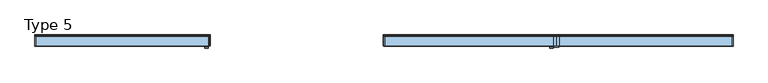
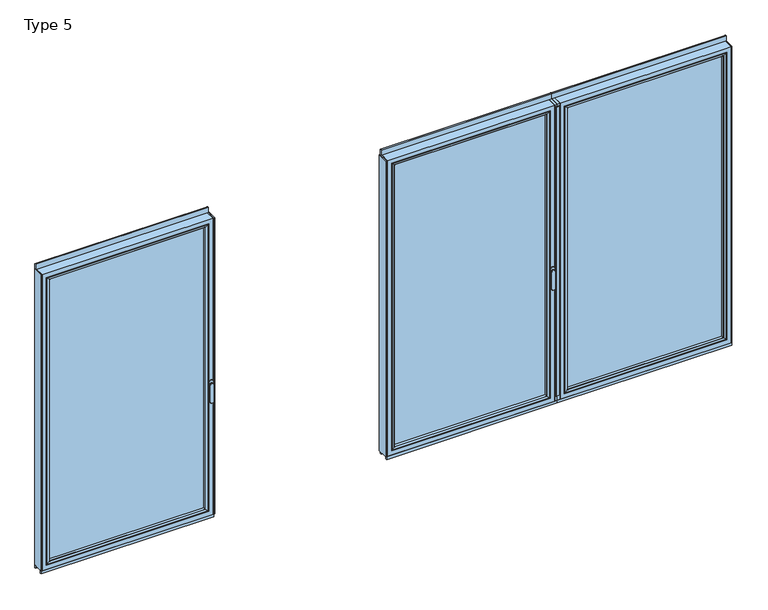
"""IFC4 building model written with IfcOpenShell, lengths in millimetres: window geometry, Type 5."""

from ifc_helpers import new_model, si_unit, point, frame, frame_2d, origin, place, context, project, spatial, polyline, circle_curve, ellipse_curve, trimmed, segment, composite_curve, outline, extrude, source, transform, mapped, element, save
from ifc_brep_helpers import plane_surface, cylinder_surface, extruded_surface, advanced_brep


def type_5_257a0d57(model_context):
    return source(origin(), model_context, "Body", "SolidModel", [
        extrude(outline(composite_curve([segment(polyline([(632.7000099, -60.0), (632.7000099, -67.5)]), True, "CONTINUOUS"), segment(trimmed(circle_curve(frame_2d((630.2000099, -67.5)), 2.5), [point((632.7000099, -67.5))], [point((630.2000099, -70.0))], False, "CARTESIAN"), True, "CONTINUOUS"), segment(polyline([(630.2000099, -70.0), (604.2000099, -70.0)]), True, "CONTINUOUS"), segment(trimmed(circle_curve(frame_2d((604.2000099, -67.5)), 2.5), [point((604.2000099, -70.0))], [point((601.7000099, -67.5))], False, "CARTESIAN"), True, "CONTINUOUS"), segment(polyline([(601.7000099, -67.5), (601.7000099, -60.0), (632.7000099, -60.0)]), True, "CONTINUOUS")], self_intersect=False)), frame((0.0, 0.0, 80.0), z_axis=(0.0, 0.0, 1.0), x_axis=(1.0, 0.0, 0.0)), (0.0, 0.0, 1.0), 2230.0),
        extrude(outline(polyline([(1893.6000099, 20.0), (1893.6000099, -60.0), (1887.6000099, -60.0), (1887.6000099, 20.0), (1893.6000099, 20.0)])), frame((0.0, 0.0, 37.5), z_axis=(0.0, 0.0, 1.0), x_axis=(1.0, 0.0, 0.0)), (0.0, 0.0, 1.0), 2286.5),
        extrude(outline(polyline([(617.2000099, 20.0), (637.2000099, 20.0), (637.2000099, -60.0), (617.2000099, -60.0), (617.2000099, 20.0)])), frame((0.0, 0.0, 37.5), z_axis=(0.0, 0.0, 1.0), x_axis=(1.0, 0.0, 0.0)), (0.0, 0.0, 1.0), 2286.5),
        advanced_brep(
        [(1887.6000099, -60.0, 2324.0), (1887.6000099, -60.0, 37.5), (1887.6000099, 20.0, 37.5), (1887.6000099, 20.0, 2324.0), (637.2000099, -60.0, 37.5), (637.2000099, 20.0, 37.5), (637.2000099, 20.0, 2324.0), (682.6996392, 20.0, 82.9996293), (1842.1003806, 20.0, 82.9996293), (1842.1003806, 20.0, 2278.5003707), (682.6996392, 20.0, 2278.5003707), (637.2000099, -60.0, 2324.0), (1855.6000099, -60.0, 69.5), (669.2000099, -60.0, 69.5), (669.2000099, -60.0, 2292.0), (1855.6000099, -60.0, 2292.0), (1855.6000099, 3.9999997, 2292.0), (1855.6000099, 3.9999997, 69.5), (669.2000099, 3.9999997, 69.5), (669.2000099, 3.9999997, 2292.0), (1837.5999979, 3.9999997, 87.500012), (687.2000219, 3.9999997, 87.500012), (687.2000219, 3.9999997, 2273.999988), (1837.5999979, 3.9999997, 2273.999988), (1837.5999979, 15.4995565, 2273.999988), (1837.5999979, 15.4995565, 87.500012), (687.2000219, 15.4995565, 87.500012), (687.2000219, 15.4995565, 2273.999988)],
        [
            (0, 1),
            (1, 2),
            (2, 3),
            (3, 0),
            (1, 4),
            (4, 5),
            (5, 2),
            (5, 6),
            (6, 3),
            (7, 8),
            (8, 9),
            (9, 10),
            (10, 7),
            (4, 11),
            (11, 6),
            (0, 11),
            (12, 13),
            (13, 14),
            (14, 15),
            (15, 12),
            (16, 17),
            (17, 12),
            (15, 16),
            (17, 18),
            (18, 13),
            (18, 19),
            (19, 14),
            (16, 19),
            (20, 21),
            (21, 22),
            (22, 23),
            (23, 20),
            (24, 25),
            (25, 20),
            (23, 24),
            (25, 26),
            (26, 21),
            (26, 27),
            (27, 22),
            (7, 26, ellipse_curve(frame((682.6996392, 15.4995565, 82.9996293), z_axis=(0.7071067811865475, 0.0, -0.7071067811865475), x_axis=(0.7071067811865476, 0.0, 0.7071067811865474)), 6.3645023, 4.5003827)),
            (25, 8, ellipse_curve(frame((1842.1003806, 15.4995565, 82.9996293), z_axis=(-0.7071067811865475, 0.0, -0.7071067811865475), x_axis=(0.7071067811865476, 0.0, -0.7071067811865474)), 6.3645023, 4.5003827)),
            (24, 9, ellipse_curve(frame((1842.1003806, 15.4995565, 2278.5003707), z_axis=(0.7071067811865475, 0.0, -0.7071067811865475), x_axis=(0.7071067811865474, 0.0, 0.7071067811865476)), 6.3645023, 4.5003827)),
            (10, 27, ellipse_curve(frame((682.6996392, 15.4995565, 2278.5003707), z_axis=(-0.7071067811865475, 0.0, -0.7071067811865475), x_axis=(0.7071067811865474, 0.0, -0.7071067811865476)), 6.3645023, 4.5003827)),
            (27, 24),
        ],
        [
            plane_surface(frame((1887.6000099, 20.0, 2324.0), z_axis=(1.0, 0.0, 0.0), x_axis=(0.0, 0.0, -1.0))),
            plane_surface(frame((1887.6000099, 20.0, 37.5), z_axis=(0.0, 0.0, -1.0), x_axis=(-1.0, 0.0, 0.0))),
            plane_surface(frame((1842.1003806, 20.0, 2278.5003707), z_axis=(0.0, 1.0, 0.0), x_axis=(0.0, 0.0, -1.0))),
            plane_surface(frame((637.2000099, 20.0, 37.5), z_axis=(-1.0, 0.0, 0.0), x_axis=(0.0, 0.0, 1.0))),
            plane_surface(frame((1887.6000099, -60.0, 2324.0), z_axis=(0.0, -1.0, 0.0), x_axis=(0.0, 0.0, -1.0))),
            plane_surface(frame((1855.6000099, -60.0, 2292.0), z_axis=(-1.0, 0.0, 0.0), x_axis=(0.0, 0.0, -1.0))),
            plane_surface(frame((1855.6000099, -60.0, 69.5), z_axis=(0.0, 0.0, 1.0), x_axis=(-1.0, 0.0, 0.0))),
            plane_surface(frame((669.2000099, -60.0, 69.5), z_axis=(1.0, 0.0, 0.0), x_axis=(0.0, 0.0, 1.0))),
            plane_surface(frame((1855.6000099, 3.9999997, 2292.0), z_axis=(0.0, -1.0, 0.0), x_axis=(0.0, 0.0, -1.0))),
            plane_surface(frame((1837.5999979, 3.9999997, 2273.999988), z_axis=(-1.0, 0.0, 0.0), x_axis=(0.0, 0.0, -1.0))),
            plane_surface(frame((1837.5999979, 3.9999997, 87.500012), z_axis=(0.0, 0.0, 1.0), x_axis=(-1.0, 0.0, 0.0))),
            plane_surface(frame((687.2000219, 3.9999997, 87.500012), z_axis=(1.0, 0.0, 0.0), x_axis=(0.0, 0.0, 1.0))),
            cylinder_surface(frame((1893.6000099, 15.4995565, 82.9996293), z_axis=(1.0, 0.0, 0.0), x_axis=(0.0, -1.0, 0.0)), 4.5003827),
            cylinder_surface(frame((1842.1003806, 15.4995565, 2330.0), z_axis=(0.0, 0.0, 1.0), x_axis=(0.0, -1.0, 0.0)), 4.5003827),
            cylinder_surface(frame((682.6996392, 15.4995565, 31.5), z_axis=(0.0, 0.0, -1.0), x_axis=(0.0, -1.0, 0.0)), 4.5003827),
            plane_surface(frame((637.2000099, 20.0, 2324.0), z_axis=(0.0, 0.0, 1.0), x_axis=(1.0, 0.0, 0.0))),
            plane_surface(frame((669.2000099, -60.0, 2292.0), z_axis=(0.0, 0.0, -1.0), x_axis=(1.0, 0.0, 0.0))),
            plane_surface(frame((687.2000219, 3.9999997, 2273.999988), z_axis=(0.0, 0.0, -1.0), x_axis=(1.0, 0.0, 0.0))),
            cylinder_surface(frame((631.2000099, 15.4995565, 2278.5003707), z_axis=(-1.0, 0.0, 0.0), x_axis=(0.0, -1.0, 0.0)), 4.5003827),
        ],
        [
            (0, [[1, 2, 3, 4]]),
            (1, [[5, 6, 7, -2]]),
            (2, [[-7, 8, 9, -3], [10, 11, 12, 13]]),
            (3, [[14, 15, -8, -6]]),
            (4, [[-5, -1, 16, -14], [17, 18, 19, 20]]),
            (5, [[21, 22, -20, 23]]),
            (6, [[24, 25, -17, -22]]),
            (7, [[26, 27, -18, -25]]),
            (8, [[-24, -21, 28, -26], [29, 30, 31, 32]]),
            (9, [[33, 34, -32, 35]]),
            (10, [[36, 37, -29, -34]]),
            (11, [[38, 39, -30, -37]]),
            (12, [[-10, 40, -36, 41]]),
            (13, [[-11, -41, -33, 42]]),
            (14, [[-13, 43, -38, -40]]),
            (15, [[-16, -4, -9, -15]]),
            (16, [[-28, -23, -19, -27]]),
            (17, [[44, -35, -31, -39]]),
            (18, [[-12, -42, -44, -43]]),
        ],
    ),
        extrude(outline(polyline([(1855.5996928, 3.9999997), (1855.5996928, -34.0000003), (669.2003271, -34.0000003), (669.2003271, 3.9999997), (1855.5996928, 3.9999997)])), frame((0.0, 0.0, 69.5003172), z_axis=(0.0, 0.0, 1.0), x_axis=(1.0, 0.0, 0.0)), (0.0, 0.0, 1.0), 2222.4993657),
        advanced_brep(
        [(691.1998998, -54.5552044, 2270.0001101), (691.1998998, -54.5552044, 91.4998899), (691.1998998, -34.0000003, 91.4998899), (691.1998998, -34.0000003, 2270.0001101), (669.2003271, -34.0000003, 2291.9996828), (1855.5996928, -34.0000003, 2291.9996828), (1855.5996928, -34.0000003, 69.5003172), (669.2003271, -34.0000003, 69.5003172), (1833.60012, -34.0000003, 2270.0001101), (1833.60012, -34.0000003, 91.4998899), (1833.60012, -54.5552044, 91.4998899), (690.4903564, -55.8045072, 2270.7096535), (690.4903564, -55.8045072, 90.7903465), (1834.3096634, -55.8045072, 90.7903465), (675.200266, -60.0, 2285.9997439), (675.200266, -60.0, 75.5002561), (1849.5997538, -60.0, 75.5002561), (1855.5996928, -60.0, 2291.9996828), (669.2003271, -60.0, 2291.9996828), (669.2003271, -60.0, 69.5003172), (1855.5996928, -60.0, 69.5003172), (1849.5997538, -60.0, 2285.9997439), (1833.60012, -54.5552044, 2270.0001101), (1834.3096634, -55.8045072, 2270.7096535)],
        [
            (0, 1),
            (1, 2),
            (2, 3),
            (3, 0),
            (4, 5),
            (5, 6),
            (6, 7),
            (7, 4),
            (8, 3),
            (2, 9),
            (9, 8),
            (1, 10),
            (10, 9),
            (11, 12),
            (12, 1, ellipse_curve(frame((689.7452958, -54.5552044, 90.0452859), z_axis=(-0.7071067811865475, 0.0, 0.7071067811865475), x_axis=(0.7071067811865474, 0.0, 0.7071067811865476)), 2.0571207, 1.454604)),
            (0, 11, ellipse_curve(frame((689.7452958, -54.5552044, 2271.4547141), z_axis=(-0.7071067811865475, 0.0, -0.7071067811865475), x_axis=(-0.7071067811865474, 0.0, 0.7071067811865476)), 2.0571207, 1.454604)),
            (12, 13),
            (13, 10, ellipse_curve(frame((1835.054724, -54.5552044, 90.0452859), z_axis=(-0.7071067811865475, 0.0, -0.7071067811865475), x_axis=(-0.7071067811865476, 0.0, 0.7071067811865474)), 2.0571207, 1.454604)),
            (14, 15),
            (15, 12, ellipse_curve(frame((675.2642016, -30.2735922, 75.5641917), z_axis=(-0.7071067811865475, 0.0, 0.7071067811865475), x_axis=(0.7071067811865474, 0.0, 0.7071067811865476)), 42.0395863, 29.7264765)),
            (11, 14, ellipse_curve(frame((675.2642016, -30.2735922, 2285.9358083), z_axis=(-0.7071067811865475, 0.0, -0.7071067811865475), x_axis=(-0.7071067811865474, 0.0, 0.7071067811865476)), 42.0395863, 29.7264765)),
            (15, 16),
            (16, 13, ellipse_curve(frame((1849.5358182, -30.2735922, 75.5641917), z_axis=(-0.7071067811865475, 0.0, -0.7071067811865475), x_axis=(-0.7071067811865476, 0.0, 0.7071067811865474)), 42.0395863, 29.7264765)),
            (17, 18),
            (18, 19),
            (19, 20),
            (20, 17),
            (14, 21),
            (21, 16),
            (7, 19),
            (18, 4),
            (6, 20),
            (10, 22),
            (22, 8),
            (13, 23),
            (23, 22, ellipse_curve(frame((1835.054724, -54.5552044, 2271.4547141), z_axis=(0.7071067811865475, 0.0, -0.7071067811865475), x_axis=(-0.7071067811865474, 0.0, -0.7071067811865476)), 2.0571207, 1.454604)),
            (21, 23, ellipse_curve(frame((1849.5358182, -30.2735922, 2285.9358083), z_axis=(0.7071067811865475, 0.0, -0.7071067811865475), x_axis=(-0.7071067811865474, 0.0, -0.7071067811865476)), 42.0395863, 29.7264765)),
            (5, 17),
            (22, 0),
            (23, 11),
        ],
        [
            plane_surface(frame((691.1998998, -34.0000003, 2270.0001101), z_axis=(1.0, 0.0, 0.0), x_axis=(0.0, 0.0, -1.0))),
            plane_surface(frame((1855.5996928, -34.0000003, 69.5003172), z_axis=(0.0, 1.0, 0.0), x_axis=(0.0, 0.0, 1.0))),
            plane_surface(frame((691.1998998, -34.0000003, 91.4998899), z_axis=(0.0, 0.0, 1.0), x_axis=(1.0, 0.0, 0.0))),
            cylinder_surface(frame((689.7452958, -54.5552044, 2273.999988), z_axis=(0.0, 0.0, 1.0), x_axis=(-1.0, 0.0, 0.0)), 1.454604),
            cylinder_surface(frame((687.2000219, -54.5552044, 90.0452859), z_axis=(-1.0, 0.0, 0.0), x_axis=(0.0, 0.0, -1.0)), 1.454604),
            cylinder_surface(frame((675.2642016, -30.2735922, 2273.999988), z_axis=(0.0, 0.0, 1.0), x_axis=(-1.0, 0.0, 0.0)), 29.7264765),
            cylinder_surface(frame((687.2000219, -30.2735922, 75.5641917), z_axis=(-1.0, 0.0, 0.0), x_axis=(0.0, 0.0, -1.0)), 29.7264765),
            plane_surface(frame((1849.5997538, -60.0, 75.5002561), z_axis=(0.0, -1.0, 0.0), x_axis=(0.0, 0.0, 1.0))),
            plane_surface(frame((669.2003271, -60.0, 2291.9996828), z_axis=(-1.0, 0.0, 0.0), x_axis=(0.0, 0.0, -1.0))),
            plane_surface(frame((669.2003271, -60.0, 69.5003172), z_axis=(0.0, 0.0, -1.0), x_axis=(1.0, 0.0, 0.0))),
            plane_surface(frame((1833.60012, -34.0000003, 91.4998899), z_axis=(-1.0, 0.0, 0.0), x_axis=(0.0, 0.0, 1.0))),
            cylinder_surface(frame((1835.054724, -54.5552044, 87.500012), z_axis=(0.0, 0.0, -1.0), x_axis=(1.0, 0.0, 0.0)), 1.454604),
            cylinder_surface(frame((1849.5358182, -30.2735922, 87.500012), z_axis=(0.0, 0.0, -1.0), x_axis=(1.0, 0.0, 0.0)), 29.7264765),
            plane_surface(frame((1855.5996928, -60.0, 69.5003172), z_axis=(1.0, 0.0, 0.0), x_axis=(0.0, 0.0, 1.0))),
            plane_surface(frame((1833.60012, -34.0000003, 2270.0001101), z_axis=(0.0, 0.0, -1.0), x_axis=(-1.0, 0.0, 0.0))),
            cylinder_surface(frame((1837.5999979, -54.5552044, 2271.4547141), z_axis=(1.0, 0.0, 0.0), x_axis=(0.0, 0.0, 1.0)), 1.454604),
            cylinder_surface(frame((1837.5999979, -30.2735922, 2285.9358083), z_axis=(1.0, 0.0, 0.0), x_axis=(0.0, 0.0, 1.0)), 29.7264765),
            plane_surface(frame((1855.5996928, -60.0, 2291.9996828), z_axis=(0.0, 0.0, 1.0), x_axis=(-1.0, 0.0, 0.0))),
        ],
        [
            (0, [[1, 2, 3, 4]]),
            (1, [[5, 6, 7, 8], [9, -3, 10, 11]]),
            (2, [[12, 13, -10, -2]]),
            (3, [[14, 15, -1, 16]]),
            (4, [[17, 18, -12, -15]]),
            (5, [[19, 20, -14, 21]]),
            (6, [[22, 23, -17, -20]]),
            (7, [[24, 25, 26, 27], [28, 29, -22, -19]]),
            (8, [[-8, 30, -25, 31]]),
            (9, [[-7, 32, -26, -30]]),
            (10, [[33, 34, -11, -13]]),
            (11, [[35, 36, -33, -18]]),
            (12, [[-29, 37, -35, -23]]),
            (13, [[-6, 38, -27, -32]]),
            (14, [[39, -4, -9, -34]]),
            (15, [[40, -16, -39, -36]]),
            (16, [[-28, -21, -40, -37]]),
            (17, [[-5, -31, -24, -38]]),
        ],
    ),
        extrude(outline(composite_curve([segment(polyline([(20.0, 2362.5), (20.0, 2324.0), (10.0, 2324.0), (10.0, 2365.0), (17.5, 2365.0)]), True, "CONTINUOUS"), segment(trimmed(circle_curve(frame_2d((17.5, 2362.5)), 2.5), [point((17.5, 2365.0))], [point((20.0, 2362.5))], False, "CARTESIAN"), True, "CONTINUOUS")], self_intersect=False)), frame((617.2000099, 0.0, 0.0), z_axis=(1.0, 0.0, 0.0), x_axis=(0.0, 1.0, 0.0)), (0.0, 0.0, 1.0), 1276.4),
        extrude(outline(polyline([(617.2000099, 20.0), (1893.6000099, 20.0), (1893.6000099, 10.0), (617.2000099, 10.0), (617.2000099, 20.0)])), frame((0.0, 0.0, 15.5), z_axis=(0.0, 0.0, 1.0), x_axis=(1.0, 0.0, 0.0)), (0.0, 0.0, 1.0), 22.0),
        extrude(outline(polyline([(617.2000099, -50.0), (1893.6000099, -50.0), (1893.6000099, -60.0), (617.2000099, -60.0), (617.2000099, -50.0)])), frame((0.0, 0.0, 15.5), z_axis=(0.0, 0.0, 1.0), x_axis=(1.0, 0.0, 0.0)), (0.0, 0.0, 1.0), 22.0),
        advanced_brep(
        [(569.2113989, -63.5, 1050.0), (593.1886605, -63.5, 1050.0), (593.1886605, -66.8965533, 1050.0), (569.2113989, -66.8965533, 1050.0), (569.2113989, -74.5, 1050.0), (569.2113989, -74.5, 918.6867153), (593.1886605, -74.5, 918.6867153), (593.1886605, -74.5, 1050.0), (593.1886605, -66.8965533, 918.6867153), (569.2113989, -66.8965533, 918.6867153)],
        [
            (0, 1, circle_curve(frame((581.2000297, -63.5, 1050.0), z_axis=(0.0, 1.0, 0.0), x_axis=(1.0, 0.0, 0.0)), 11.9886308)),
            (1, 0, circle_curve(frame((581.2000297, -63.5, 1050.0), z_axis=(0.0, 1.0, 0.0), x_axis=(1.0, 0.0, 0.0)), 11.9886308)),
            (1, 2),
            (2, 3, circle_curve(frame((581.2000297, -66.8965533, 1050.0), z_axis=(0.0, 1.0, 0.0), x_axis=(1.0, 0.0, 0.0)), 11.9886308)),
            (3, 0),
            (3, 2, circle_curve(frame((581.2000297, -66.8965533, 1050.0), z_axis=(0.0, 1.0, 0.0), x_axis=(1.0, 0.0, 0.0)), 11.9886308)),
            (4, 5),
            (5, 6, ellipse_curve(frame((581.2000297, -74.5, 918.6867153), z_axis=(0.0, -1.0, 0.0), x_axis=(-1.0, 0.0, 0.0)), 11.9886308, 7.9050795)),
            (6, 7),
            (7, 4, circle_curve(frame((581.2000297, -74.5, 1050.0), z_axis=(0.0, -1.0, 0.0), x_axis=(1.0, 0.0, 0.0)), 11.9886308)),
            (2, 8),
            (8, 9, ellipse_curve(frame((581.2000297, -66.8965533, 918.6867153), z_axis=(0.0, 1.0, 0.0), x_axis=(-1.0, 0.0, 0.0)), 11.9886308, 7.9050795)),
            (9, 3),
            (4, 3),
            (9, 5),
            (8, 6),
            (2, 7),
        ],
        [
            plane_surface(frame((593.1886605, -63.5, 1050.0), z_axis=(0.0, 1.0, 0.0), x_axis=(0.0, 0.0, -1.0))),
            cylinder_surface(frame((581.2000297, -63.5, 1050.0), z_axis=(0.0, -1.0, 0.0), x_axis=(1.0, 0.0, 0.0)), 11.9886308),
            plane_surface(frame((569.2113989, -74.5, 928.3382074), z_axis=(0.0, -1.0, 0.0), x_axis=(0.0, 0.0, -1.0))),
            plane_surface(frame((569.2113989, -66.8965533, 928.3382074), z_axis=(0.0, 1.0, 0.0), x_axis=(0.0, 0.0, 1.0))),
            plane_surface(frame((569.2113989, -74.5, 1050.0), z_axis=(-1.0, 0.0, 0.0), x_axis=(0.0, 1.0, 0.0))),
            extruded_surface(trimmed(ellipse_curve(frame((581.2000297, -59.2931066, 918.6867153), z_axis=(0.0, -1.0, 0.0), x_axis=(-1.0, 0.0, 0.0)), 11.9886308, 7.9050795), [point((569.2113989, -59.2931066, 918.6867153))], [point((593.1886605, -59.2931066, 918.6867153))], True, "CARTESIAN"), (0.0, -7.603446699999992, 0.0), 7.603446699999992),
            plane_surface(frame((593.1886605, -74.5, 918.6867153), z_axis=(1.0, 0.0, 0.0), x_axis=(0.0, 1.0, 0.0))),
            cylinder_surface(frame((581.2000297, -66.8965533, 1050.0), z_axis=(0.0, -1.0, 0.0), x_axis=(1.0, 0.0, 0.0)), 11.9886308),
        ],
        [
            (0, [[1, 2]]),
            (1, [[-2, 3, 4, 5]]),
            (1, [[-1, -5, 6, -3]]),
            (2, [[7, 8, 9, 10]]),
            (3, [[11, 12, 13, -4]]),
            (4, [[-7, 14, -13, 15]]),
            (5, [[-8, -15, -12, 16]]),
            (6, [[-9, -16, -11, 17]]),
            (7, [[-10, -17, -6, -14]]),
        ],
    ),
        extrude(outline(composite_curve([segment(polyline([(1068.75, 567.2000297), (1031.25, 567.2000297)]), True, "CONTINUOUS"), segment(trimmed(circle_curve(frame_2d((1031.25, 581.2000297)), 14.0), [point((1031.25, 567.2000297))], [point((1031.25, 595.2000297))], False, "CARTESIAN"), True, "CONTINUOUS"), segment(polyline([(1031.25, 595.2000297), (1068.75, 595.2000297)]), True, "CONTINUOUS"), segment(trimmed(circle_curve(frame_2d((1068.75, 581.2000297)), 14.0), [point((1068.75, 595.2000297))], [point((1068.75, 567.2000297))], False, "CARTESIAN"), True, "CONTINUOUS")], self_intersect=False)), frame((0.0, -63.5, 0.0), z_axis=(0.0, 1.0, 0.0), x_axis=(0.0, 0.0, 1.0)), (0.0, 0.0, 1.0), 3.5),
        extrude(outline(polyline([(-631.1999703, 20.0), (-625.1999703, 20.0), (-625.1999703, -60.0), (-631.1999703, -60.0), (-631.1999703, 20.0)])), frame((0.0, 0.0, 37.5), z_axis=(0.0, 0.0, 1.0), x_axis=(1.0, 0.0, 0.0)), (0.0, 0.0, 1.0), 2286.5),
        extrude(outline(polyline([(617.2000297, 20.0), (617.2000297, -60.0), (597.2000297, -60.0), (597.2000297, 20.0), (617.2000297, 20.0)])), frame((0.0, 0.0, 37.5), z_axis=(0.0, 0.0, 1.0), x_axis=(1.0, 0.0, 0.0)), (0.0, 0.0, 1.0), 2286.5),
        advanced_brep(
        [(-625.1999703, -60.0, 2324.0), (-625.1999703, 20.0, 2324.0), (-625.1999703, 20.0, 37.5), (-625.1999703, -60.0, 37.5), (597.2000297, 20.0, 37.5), (597.2000297, -60.0, 37.5), (597.2000297, 20.0, 2324.0), (551.7004004, 20.0, 82.9996293), (551.7004004, 20.0, 2278.5003707), (-579.700341, 20.0, 2278.5003707), (-579.700341, 20.0, 82.9996293), (597.2000297, -60.0, 2324.0), (-593.1999703, -60.0, 69.5), (-593.1999703, -60.0, 2292.0), (565.2000297, -60.0, 2292.0), (565.2000297, -60.0, 69.5), (-593.1999703, 3.9999997, 2292.0), (-593.1999703, 3.9999997, 69.5), (565.2000297, 3.9999997, 69.5), (565.2000297, 3.9999997, 2292.0), (-575.1999583, 3.9999997, 87.500012), (-575.1999583, 3.9999997, 2273.999988), (547.2000178, 3.9999997, 2273.999988), (547.2000178, 3.9999997, 87.500012), (-575.1999583, 15.4995565, 2273.999988), (-575.1999583, 15.4995565, 87.500012), (547.2000178, 15.4995565, 87.500012), (547.2000178, 15.4995565, 2273.999988)],
        [
            (0, 1),
            (1, 2),
            (2, 3),
            (3, 0),
            (2, 4),
            (4, 5),
            (5, 3),
            (1, 6),
            (6, 4),
            (7, 8),
            (8, 9),
            (9, 10),
            (10, 7),
            (6, 11),
            (11, 5),
            (11, 0),
            (12, 13),
            (13, 14),
            (14, 15),
            (15, 12),
            (16, 13),
            (12, 17),
            (17, 16),
            (15, 18),
            (18, 17),
            (14, 19),
            (19, 18),
            (19, 16),
            (20, 21),
            (21, 22),
            (22, 23),
            (23, 20),
            (24, 21),
            (20, 25),
            (25, 24),
            (23, 26),
            (26, 25),
            (22, 27),
            (27, 26),
            (10, 25, ellipse_curve(frame((-579.700341, 15.4995565, 82.9996293), z_axis=(0.7071067811865475, 0.0, -0.7071067811865475), x_axis=(-0.7071067811865476, 0.0, -0.7071067811865474)), 6.3645023, 4.5003827)),
            (26, 7, ellipse_curve(frame((551.7004004, 15.4995565, 82.9996293), z_axis=(-0.7071067811865475, 0.0, -0.7071067811865475), x_axis=(-0.7071067811865476, 0.0, 0.7071067811865474)), 6.3645023, 4.5003827)),
            (9, 24, ellipse_curve(frame((-579.700341, 15.4995565, 2278.5003707), z_axis=(-0.7071067811865475, 0.0, -0.7071067811865475), x_axis=(-0.7071067811865474, 0.0, 0.7071067811865476)), 6.3645023, 4.5003827)),
            (27, 8, ellipse_curve(frame((551.7004004, 15.4995565, 2278.5003707), z_axis=(0.7071067811865475, 0.0, -0.7071067811865475), x_axis=(-0.7071067811865474, 0.0, -0.7071067811865476)), 6.3645023, 4.5003827)),
            (24, 27),
        ],
        [
            plane_surface(frame((-625.1999703, 20.0, 2324.0), z_axis=(-1.0, 0.0, 0.0), x_axis=(0.0, 0.0, -1.0))),
            plane_surface(frame((-625.1999703, 20.0, 37.5), z_axis=(0.0, 0.0, -1.0), x_axis=(1.0, 0.0, 0.0))),
            plane_surface(frame((-579.700341, 20.0, 2278.5003707), z_axis=(0.0, 1.0, 0.0), x_axis=(0.0, 0.0, -1.0))),
            plane_surface(frame((597.2000297, 20.0, 37.5), z_axis=(1.0, 0.0, 0.0), x_axis=(0.0, 0.0, 1.0))),
            plane_surface(frame((-625.1999703, -60.0, 2324.0), z_axis=(0.0, -1.0, 0.0), x_axis=(0.0, 0.0, -1.0))),
            plane_surface(frame((-593.1999703, -60.0, 2292.0), z_axis=(1.0, 0.0, 0.0), x_axis=(0.0, 0.0, -1.0))),
            plane_surface(frame((-593.1999703, -60.0, 69.5), z_axis=(0.0, 0.0, 1.0), x_axis=(1.0, 0.0, 0.0))),
            plane_surface(frame((565.2000297, -60.0, 69.5), z_axis=(-1.0, 0.0, 0.0), x_axis=(0.0, 0.0, 1.0))),
            plane_surface(frame((-593.1999703, 3.9999997, 2292.0), z_axis=(0.0, -1.0, 0.0), x_axis=(0.0, 0.0, -1.0))),
            plane_surface(frame((-575.1999583, 3.9999997, 2273.999988), z_axis=(1.0, 0.0, 0.0), x_axis=(0.0, 0.0, -1.0))),
            plane_surface(frame((-575.1999583, 3.9999997, 87.500012), z_axis=(0.0, 0.0, 1.0), x_axis=(1.0, 0.0, 0.0))),
            plane_surface(frame((547.2000178, 3.9999997, 87.500012), z_axis=(-1.0, 0.0, 0.0), x_axis=(0.0, 0.0, 1.0))),
            cylinder_surface(frame((-631.1999703, 15.4995565, 82.9996293), z_axis=(-1.0, 0.0, 0.0), x_axis=(0.0, -1.0, 0.0)), 4.5003827),
            cylinder_surface(frame((-579.700341, 15.4995565, 2330.0), z_axis=(0.0, 0.0, 1.0), x_axis=(0.0, -1.0, 0.0)), 4.5003827),
            cylinder_surface(frame((551.7004004, 15.4995565, 31.5), z_axis=(0.0, 0.0, -1.0), x_axis=(0.0, -1.0, 0.0)), 4.5003827),
            plane_surface(frame((597.2000297, 20.0, 2324.0), z_axis=(0.0, 0.0, 1.0), x_axis=(-1.0, 0.0, 0.0))),
            plane_surface(frame((565.2000297, -60.0, 2292.0), z_axis=(0.0, 0.0, -1.0), x_axis=(-1.0, 0.0, 0.0))),
            plane_surface(frame((547.2000178, 3.9999997, 2273.999988), z_axis=(0.0, 0.0, -1.0), x_axis=(-1.0, 0.0, 0.0))),
            cylinder_surface(frame((603.2000297, 15.4995565, 2278.5003707), z_axis=(1.0, 0.0, 0.0), x_axis=(0.0, -1.0, 0.0)), 4.5003827),
        ],
        [
            (0, [[1, 2, 3, 4]]),
            (1, [[-3, 5, 6, 7]]),
            (2, [[-2, 8, 9, -5], [10, 11, 12, 13]]),
            (3, [[-6, -9, 14, 15]]),
            (4, [[-15, 16, -4, -7], [17, 18, 19, 20]]),
            (5, [[21, -17, 22, 23]]),
            (6, [[-22, -20, 24, 25]]),
            (7, [[-24, -19, 26, 27]]),
            (8, [[-27, 28, -23, -25], [29, 30, 31, 32]]),
            (9, [[33, -29, 34, 35]]),
            (10, [[-34, -32, 36, 37]]),
            (11, [[-36, -31, 38, 39]]),
            (12, [[40, -37, 41, -13]]),
            (13, [[42, -35, -40, -12]]),
            (14, [[-41, -39, 43, -10]]),
            (15, [[-14, -8, -1, -16]]),
            (16, [[-26, -18, -21, -28]]),
            (17, [[-38, -30, -33, 44]]),
            (18, [[-43, -44, -42, -11]]),
        ],
    ),
        extrude(outline(polyline([(-593.1996531, 3.9999997), (565.1997126, 3.9999997), (565.1997126, -34.0000003), (-593.1996531, -34.0000003), (-593.1996531, 3.9999997)])), frame((0.0, 0.0, 69.5003172), z_axis=(0.0, 0.0, 1.0), x_axis=(1.0, 0.0, 0.0)), (0.0, 0.0, 1.0), 2222.4993657),
        advanced_brep(
        [(543.2001398, -54.5552044, 2270.0001101), (543.2001398, -34.0000003, 2270.0001101), (543.2001398, -34.0000003, 91.4998899), (543.2001398, -54.5552044, 91.4998899), (565.1997126, -34.0000003, 2291.9996828), (565.1997126, -34.0000003, 69.5003172), (-593.1996531, -34.0000003, 69.5003172), (-593.1996531, -34.0000003, 2291.9996828), (-571.2000804, -34.0000003, 2270.0001101), (-571.2000804, -34.0000003, 91.4998899), (-571.2000804, -54.5552044, 91.4998899), (543.9096832, -55.8045072, 2270.7096535), (543.9096832, -55.8045072, 90.7903465), (-571.9096238, -55.8045072, 90.7903465), (559.1997736, -60.0, 2285.9997439), (559.1997736, -60.0, 75.5002561), (-587.1997142, -60.0, 75.5002561), (-593.1996531, -60.0, 2291.9996828), (-593.1996531, -60.0, 69.5003172), (565.1997126, -60.0, 69.5003172), (565.1997126, -60.0, 2291.9996828), (-587.1997142, -60.0, 2285.9997439), (-571.2000804, -54.5552044, 2270.0001101), (-571.9096238, -55.8045072, 2270.7096535)],
        [
            (0, 1),
            (1, 2),
            (2, 3),
            (3, 0),
            (4, 5),
            (5, 6),
            (6, 7),
            (7, 4),
            (8, 9),
            (9, 2),
            (1, 8),
            (9, 10),
            (10, 3),
            (11, 0, ellipse_curve(frame((544.6547438, -54.5552044, 2271.4547141), z_axis=(0.7071067811865475, 0.0, -0.7071067811865475), x_axis=(0.7071067811865474, 0.0, 0.7071067811865476)), 2.0571207, 1.454604)),
            (3, 12, ellipse_curve(frame((544.6547438, -54.5552044, 90.0452859), z_axis=(0.7071067811865475, 0.0, 0.7071067811865475), x_axis=(-0.7071067811865474, 0.0, 0.7071067811865476)), 2.0571207, 1.454604)),
            (12, 11),
            (10, 13, ellipse_curve(frame((-572.6546844, -54.5552044, 90.0452859), z_axis=(0.7071067811865475, 0.0, -0.7071067811865475), x_axis=(0.7071067811865476, 0.0, 0.7071067811865474)), 2.0571207, 1.454604)),
            (13, 12),
            (14, 11, ellipse_curve(frame((559.135838, -30.2735922, 2285.9358083), z_axis=(0.7071067811865475, 0.0, -0.7071067811865475), x_axis=(0.7071067811865474, 0.0, 0.7071067811865476)), 42.0395863, 29.7264765)),
            (12, 15, ellipse_curve(frame((559.135838, -30.2735922, 75.5641917), z_axis=(0.7071067811865475, 0.0, 0.7071067811865475), x_axis=(-0.7071067811865474, 0.0, 0.7071067811865476)), 42.0395863, 29.7264765)),
            (15, 14),
            (13, 16, ellipse_curve(frame((-587.1357786, -30.2735922, 75.5641917), z_axis=(0.7071067811865475, 0.0, -0.7071067811865475), x_axis=(0.7071067811865476, 0.0, 0.7071067811865474)), 42.0395863, 29.7264765)),
            (16, 15),
            (17, 18),
            (18, 19),
            (19, 20),
            (20, 17),
            (16, 21),
            (21, 14),
            (4, 20),
            (19, 5),
            (18, 6),
            (8, 22),
            (22, 10),
            (22, 23, ellipse_curve(frame((-572.6546844, -54.5552044, 2271.4547141), z_axis=(-0.7071067811865475, 0.0, -0.7071067811865475), x_axis=(0.7071067811865474, 0.0, -0.7071067811865476)), 2.0571207, 1.454604)),
            (23, 13),
            (23, 21, ellipse_curve(frame((-587.1357786, -30.2735922, 2285.9358083), z_axis=(-0.7071067811865475, 0.0, -0.7071067811865475), x_axis=(0.7071067811865474, 0.0, -0.7071067811865476)), 42.0395863, 29.7264765)),
            (17, 7),
            (0, 22),
            (11, 23),
        ],
        [
            plane_surface(frame((543.2001398, -34.0000003, 2270.0001101), z_axis=(-1.0, 0.0, 0.0), x_axis=(0.0, 0.0, -1.0))),
            plane_surface(frame((-593.1996531, -34.0000003, 69.5003172), z_axis=(0.0, 1.0, 0.0), x_axis=(0.0, 0.0, 1.0))),
            plane_surface(frame((543.2001398, -34.0000003, 91.4998899), z_axis=(0.0, 0.0, 1.0), x_axis=(-1.0, 0.0, 0.0))),
            cylinder_surface(frame((544.6547438, -54.5552044, 2273.999988), z_axis=(0.0, 0.0, 1.0), x_axis=(1.0, 0.0, 0.0)), 1.454604),
            cylinder_surface(frame((547.2000178, -54.5552044, 90.0452859), z_axis=(1.0, 0.0, 0.0), x_axis=(0.0, 0.0, -1.0)), 1.454604),
            cylinder_surface(frame((559.135838, -30.2735922, 2273.999988), z_axis=(0.0, 0.0, 1.0), x_axis=(1.0, 0.0, 0.0)), 29.7264765),
            cylinder_surface(frame((547.2000178, -30.2735922, 75.5641917), z_axis=(1.0, 0.0, 0.0), x_axis=(0.0, 0.0, -1.0)), 29.7264765),
            plane_surface(frame((-587.1997142, -60.0, 75.5002561), z_axis=(0.0, -1.0, 0.0), x_axis=(0.0, 0.0, 1.0))),
            plane_surface(frame((565.1997126, -60.0, 2291.9996828), z_axis=(1.0, 0.0, 0.0), x_axis=(0.0, 0.0, -1.0))),
            plane_surface(frame((565.1997126, -60.0, 69.5003172), z_axis=(0.0, 0.0, -1.0), x_axis=(-1.0, 0.0, 0.0))),
            plane_surface(frame((-571.2000804, -34.0000003, 91.4998899), z_axis=(1.0, 0.0, 0.0), x_axis=(0.0, 0.0, 1.0))),
            cylinder_surface(frame((-572.6546844, -54.5552044, 87.500012), z_axis=(0.0, 0.0, -1.0), x_axis=(-1.0, 0.0, 0.0)), 1.454604),
            cylinder_surface(frame((-587.1357786, -30.2735922, 87.500012), z_axis=(0.0, 0.0, -1.0), x_axis=(-1.0, 0.0, 0.0)), 29.7264765),
            plane_surface(frame((-593.1996531, -60.0, 69.5003172), z_axis=(-1.0, 0.0, 0.0), x_axis=(0.0, 0.0, 1.0))),
            plane_surface(frame((-571.2000804, -34.0000003, 2270.0001101), z_axis=(0.0, 0.0, -1.0), x_axis=(1.0, 0.0, 0.0))),
            cylinder_surface(frame((-575.1999583, -54.5552044, 2271.4547141), z_axis=(-1.0, 0.0, 0.0), x_axis=(0.0, 0.0, 1.0)), 1.454604),
            cylinder_surface(frame((-575.1999583, -30.2735922, 2285.9358083), z_axis=(-1.0, 0.0, 0.0), x_axis=(0.0, 0.0, 1.0)), 29.7264765),
            plane_surface(frame((-593.1996531, -60.0, 2291.9996828), z_axis=(0.0, 0.0, 1.0), x_axis=(1.0, 0.0, 0.0))),
        ],
        [
            (0, [[1, 2, 3, 4]]),
            (1, [[5, 6, 7, 8], [9, 10, -2, 11]]),
            (2, [[-3, -10, 12, 13]]),
            (3, [[14, -4, 15, 16]]),
            (4, [[-15, -13, 17, 18]]),
            (5, [[19, -16, 20, 21]]),
            (6, [[-20, -18, 22, 23]]),
            (7, [[24, 25, 26, 27], [-21, -23, 28, 29]]),
            (8, [[30, -26, 31, -5]]),
            (9, [[-31, -25, 32, -6]]),
            (10, [[-12, -9, 33, 34]]),
            (11, [[-17, -34, 35, 36]]),
            (12, [[-22, -36, 37, -28]]),
            (13, [[-32, -24, 38, -7]]),
            (14, [[-33, -11, -1, 39]]),
            (15, [[-35, -39, -14, 40]]),
            (16, [[-37, -40, -19, -29]]),
            (17, [[-38, -27, -30, -8]]),
        ],
    ),
        extrude(outline(composite_curve([segment(polyline([(20.0, 2362.5), (20.0, 2324.0), (10.0, 2324.0), (10.0, 2365.0), (17.5, 2365.0)]), True, "CONTINUOUS"), segment(trimmed(circle_curve(frame_2d((17.5, 2362.5)), 2.5), [point((17.5, 2365.0))], [point((20.0, 2362.5))], False, "CARTESIAN"), True, "CONTINUOUS")], self_intersect=False)), frame((-631.1999703, 0.0, 0.0), z_axis=(1.0, 0.0, 0.0), x_axis=(0.0, 1.0, 0.0)), (0.0, 0.0, 1.0), 1248.4),
        extrude(outline(polyline([(617.2000297, 20.0), (617.2000297, 10.0), (-631.1999703, 10.0), (-631.1999703, 20.0), (617.2000297, 20.0)])), frame((0.0, 0.0, 15.5), z_axis=(0.0, 0.0, 1.0), x_axis=(1.0, 0.0, 0.0)), (0.0, 0.0, 1.0), 22.0),
        extrude(outline(polyline([(617.2000297, -50.0), (617.2000297, -60.0), (-631.1999703, -60.0), (-631.1999703, -50.0), (617.2000297, -50.0)])), frame((0.0, 0.0, 15.5), z_axis=(0.0, 0.0, 1.0), x_axis=(1.0, 0.0, 0.0)), (0.0, 0.0, 1.0), 22.0),
        advanced_brep(
        [(-1927.5885813, -63.5, 1050.0), (-1903.6113197, -63.5, 1050.0), (-1903.6113197, -66.8965533, 1050.0), (-1927.5885813, -66.8965533, 1050.0), (-1927.5885813, -74.5, 1050.0), (-1927.5885813, -74.5, 918.6867153), (-1903.6113197, -74.5, 918.6867153), (-1903.6113197, -74.5, 1050.0), (-1903.6113197, -66.8965533, 918.6867153), (-1927.5885813, -66.8965533, 918.6867153)],
        [
            (0, 1, circle_curve(frame((-1915.5999505, -63.5, 1050.0), z_axis=(0.0, 1.0, 0.0), x_axis=(1.0, 0.0, 0.0)), 11.9886308)),
            (1, 0, circle_curve(frame((-1915.5999505, -63.5, 1050.0), z_axis=(0.0, 1.0, 0.0), x_axis=(1.0, 0.0, 0.0)), 11.9886308)),
            (1, 2),
            (2, 3, circle_curve(frame((-1915.5999505, -66.8965533, 1050.0), z_axis=(0.0, 1.0, 0.0), x_axis=(1.0, 0.0, 0.0)), 11.9886308)),
            (3, 0),
            (3, 2, circle_curve(frame((-1915.5999505, -66.8965533, 1050.0), z_axis=(0.0, 1.0, 0.0), x_axis=(1.0, 0.0, 0.0)), 11.9886308)),
            (4, 5),
            (5, 6, ellipse_curve(frame((-1915.5999505, -74.5, 918.6867153), z_axis=(0.0, -1.0, 0.0), x_axis=(-1.0, 0.0, 0.0)), 11.9886308, 7.9050795)),
            (6, 7),
            (7, 4, circle_curve(frame((-1915.5999505, -74.5, 1050.0), z_axis=(0.0, -1.0, 0.0), x_axis=(1.0, 0.0, 0.0)), 11.9886308)),
            (2, 8),
            (8, 9, ellipse_curve(frame((-1915.5999505, -66.8965533, 918.6867153), z_axis=(0.0, 1.0, 0.0), x_axis=(-1.0, 0.0, 0.0)), 11.9886308, 7.9050795)),
            (9, 3),
            (4, 3),
            (9, 5),
            (8, 6),
            (2, 7),
        ],
        [
            plane_surface(frame((-1903.6113197, -63.5, 1050.0), z_axis=(0.0, 1.0, 0.0), x_axis=(0.0, 0.0, -1.0))),
            cylinder_surface(frame((-1915.5999505, -63.5, 1050.0), z_axis=(0.0, -1.0, 0.0), x_axis=(1.0, 0.0, 0.0)), 11.9886308),
            plane_surface(frame((-1927.5885813, -74.5, 928.3382074), z_axis=(0.0, -1.0, 0.0), x_axis=(0.0, 0.0, -1.0))),
            plane_surface(frame((-1927.5885813, -66.8965533, 928.3382074), z_axis=(0.0, 1.0, 0.0), x_axis=(0.0, 0.0, 1.0))),
            plane_surface(frame((-1927.5885813, -74.5, 1050.0), z_axis=(-1.0, 0.0, 0.0), x_axis=(0.0, 1.0, 0.0))),
            extruded_surface(trimmed(ellipse_curve(frame((-1915.5999505, -59.2931066, 918.6867153), z_axis=(0.0, -1.0, 0.0), x_axis=(-1.0, 0.0, 0.0)), 11.9886308, 7.9050795), [point((-1927.5885813, -59.2931066, 918.6867153))], [point((-1903.6113197, -59.2931066, 918.6867153))], True, "CARTESIAN"), (0.0, -7.603446699999992, 0.0), 7.603446699999992),
            plane_surface(frame((-1903.6113197, -74.5, 918.6867153), z_axis=(1.0, 0.0, 0.0), x_axis=(0.0, 1.0, 0.0))),
            cylinder_surface(frame((-1915.5999505, -66.8965533, 1050.0), z_axis=(0.0, -1.0, 0.0), x_axis=(1.0, 0.0, 0.0)), 11.9886308),
        ],
        [
            (0, [[1, 2]]),
            (1, [[-2, 3, 4, 5]]),
            (1, [[-1, -5, 6, -3]]),
            (2, [[7, 8, 9, 10]]),
            (3, [[11, 12, 13, -4]]),
            (4, [[-7, 14, -13, 15]]),
            (5, [[-8, -15, -12, 16]]),
            (6, [[-9, -16, -11, 17]]),
            (7, [[-10, -17, -6, -14]]),
        ],
    ),
        extrude(outline(composite_curve([segment(polyline([(1068.75, -1929.5999505), (1031.25, -1929.5999505)]), True, "CONTINUOUS"), segment(trimmed(circle_curve(frame_2d((1031.25, -1915.5999505)), 14.0), [point((1031.25, -1929.5999505))], [point((1031.25, -1901.5999505))], False, "CARTESIAN"), True, "CONTINUOUS"), segment(polyline([(1031.25, -1901.5999505), (1068.75, -1901.5999505)]), True, "CONTINUOUS"), segment(trimmed(circle_curve(frame_2d((1068.75, -1915.5999505)), 14.0), [point((1068.75, -1901.5999505))], [point((1068.75, -1929.5999505))], False, "CARTESIAN"), True, "CONTINUOUS")], self_intersect=False)), frame((0.0, -63.5, 0.0), z_axis=(0.0, 1.0, 0.0), x_axis=(0.0, 0.0, 1.0)), (0.0, 0.0, 1.0), 3.5),
        extrude(outline(polyline([(-3155.9999505, 20.0), (-3149.9999505, 20.0), (-3149.9999505, -60.0), (-3155.9999505, -60.0), (-3155.9999505, 20.0)])), frame((0.0, 0.0, 37.5), z_axis=(0.0, 0.0, 1.0), x_axis=(1.0, 0.0, 0.0)), (0.0, 0.0, 1.0), 2286.5),
        extrude(outline(polyline([(-1893.5999505, 20.0), (-1893.5999505, -60.0), (-1899.5999505, -60.0), (-1899.5999505, 20.0), (-1893.5999505, 20.0)])), frame((0.0, 0.0, 37.5), z_axis=(0.0, 0.0, 1.0), x_axis=(1.0, 0.0, 0.0)), (0.0, 0.0, 1.0), 2286.5),
        advanced_brep(
        [(-3149.9999505, -60.0, 2324.0), (-3149.9999505, 20.0, 2324.0), (-3149.9999505, 20.0, 37.5), (-3149.9999505, -60.0, 37.5), (-1899.5999505, 20.0, 37.5), (-1899.5999505, -60.0, 37.5), (-1899.5999505, 20.0, 2324.0), (-1945.0995798, 20.0, 82.9996293), (-1945.0995798, 20.0, 2278.5003707), (-3104.5003212, 20.0, 2278.5003707), (-3104.5003212, 20.0, 82.9996293), (-1899.5999505, -60.0, 2324.0), (-3117.9999505, -60.0, 69.5), (-3117.9999505, -60.0, 2292.0), (-1931.5999505, -60.0, 2292.0), (-1931.5999505, -60.0, 69.5), (-3117.9999505, 3.9999997, 2292.0), (-3117.9999505, 3.9999997, 69.5), (-1931.5999505, 3.9999997, 69.5), (-1931.5999505, 3.9999997, 2292.0), (-3099.9999385, 3.9999997, 87.500012), (-3099.9999385, 3.9999997, 2273.999988), (-1949.5999624, 3.9999997, 2273.999988), (-1949.5999624, 3.9999997, 87.500012), (-3099.9999385, 15.4995565, 2273.999988), (-3099.9999385, 15.4995565, 87.500012), (-1949.5999624, 15.4995565, 87.500012), (-1949.5999624, 15.4995565, 2273.999988)],
        [
            (0, 1),
            (1, 2),
            (2, 3),
            (3, 0),
            (2, 4),
            (4, 5),
            (5, 3),
            (1, 6),
            (6, 4),
            (7, 8),
            (8, 9),
            (9, 10),
            (10, 7),
            (6, 11),
            (11, 5),
            (11, 0),
            (12, 13),
            (13, 14),
            (14, 15),
            (15, 12),
            (16, 13),
            (12, 17),
            (17, 16),
            (15, 18),
            (18, 17),
            (14, 19),
            (19, 18),
            (19, 16),
            (20, 21),
            (21, 22),
            (22, 23),
            (23, 20),
            (24, 21),
            (20, 25),
            (25, 24),
            (23, 26),
            (26, 25),
            (22, 27),
            (27, 26),
            (10, 25, ellipse_curve(frame((-3104.5003212, 15.4995565, 82.9996293), z_axis=(0.7071067811865475, 0.0, -0.7071067811865475), x_axis=(-0.7071067811865476, 0.0, -0.7071067811865474)), 6.3645023, 4.5003827)),
            (26, 7, ellipse_curve(frame((-1945.0995798, 15.4995565, 82.9996293), z_axis=(-0.7071067811865475, 0.0, -0.7071067811865475), x_axis=(-0.7071067811865476, 0.0, 0.7071067811865474)), 6.3645023, 4.5003827)),
            (9, 24, ellipse_curve(frame((-3104.5003212, 15.4995565, 2278.5003707), z_axis=(-0.7071067811865475, 0.0, -0.7071067811865475), x_axis=(-0.7071067811865474, 0.0, 0.7071067811865476)), 6.3645023, 4.5003827)),
            (27, 8, ellipse_curve(frame((-1945.0995798, 15.4995565, 2278.5003707), z_axis=(0.7071067811865475, 0.0, -0.7071067811865475), x_axis=(-0.7071067811865474, 0.0, -0.7071067811865476)), 6.3645023, 4.5003827)),
            (24, 27),
        ],
        [
            plane_surface(frame((-3149.9999505, 20.0, 2324.0), z_axis=(-1.0, 0.0, 0.0), x_axis=(0.0, 0.0, -1.0))),
            plane_surface(frame((-3149.9999505, 20.0, 37.5), z_axis=(0.0, 0.0, -1.0), x_axis=(1.0, 0.0, 0.0))),
            plane_surface(frame((-3104.5003212, 20.0, 2278.5003707), z_axis=(0.0, 1.0, 0.0), x_axis=(0.0, 0.0, -1.0))),
            plane_surface(frame((-1899.5999505, 20.0, 37.5), z_axis=(1.0, 0.0, 0.0), x_axis=(0.0, 0.0, 1.0))),
            plane_surface(frame((-3149.9999505, -60.0, 2324.0), z_axis=(0.0, -1.0, 0.0), x_axis=(0.0, 0.0, -1.0))),
            plane_surface(frame((-3117.9999505, -60.0, 2292.0), z_axis=(1.0, 0.0, 0.0), x_axis=(0.0, 0.0, -1.0))),
            plane_surface(frame((-3117.9999505, -60.0, 69.5), z_axis=(0.0, 0.0, 1.0), x_axis=(1.0, 0.0, 0.0))),
            plane_surface(frame((-1931.5999505, -60.0, 69.5), z_axis=(-1.0, 0.0, 0.0), x_axis=(0.0, 0.0, 1.0))),
            plane_surface(frame((-3117.9999505, 3.9999997, 2292.0), z_axis=(0.0, -1.0, 0.0), x_axis=(0.0, 0.0, -1.0))),
            plane_surface(frame((-3099.9999385, 3.9999997, 2273.999988), z_axis=(1.0, 0.0, 0.0), x_axis=(0.0, 0.0, -1.0))),
            plane_surface(frame((-3099.9999385, 3.9999997, 87.500012), z_axis=(0.0, 0.0, 1.0), x_axis=(1.0, 0.0, 0.0))),
            plane_surface(frame((-1949.5999624, 3.9999997, 87.500012), z_axis=(-1.0, 0.0, 0.0), x_axis=(0.0, 0.0, 1.0))),
            cylinder_surface(frame((-3155.9999505, 15.4995565, 82.9996293), z_axis=(-1.0, 0.0, 0.0), x_axis=(0.0, -1.0, 0.0)), 4.5003827),
            cylinder_surface(frame((-3104.5003212, 15.4995565, 2330.0), z_axis=(0.0, 0.0, 1.0), x_axis=(0.0, -1.0, 0.0)), 4.5003827),
            cylinder_surface(frame((-1945.0995798, 15.4995565, 31.5), z_axis=(0.0, 0.0, -1.0), x_axis=(0.0, -1.0, 0.0)), 4.5003827),
            plane_surface(frame((-1899.5999505, 20.0, 2324.0), z_axis=(0.0, 0.0, 1.0), x_axis=(-1.0, 0.0, 0.0))),
            plane_surface(frame((-1931.5999505, -60.0, 2292.0), z_axis=(0.0, 0.0, -1.0), x_axis=(-1.0, 0.0, 0.0))),
            plane_surface(frame((-1949.5999624, 3.9999997, 2273.999988), z_axis=(0.0, 0.0, -1.0), x_axis=(-1.0, 0.0, 0.0))),
            cylinder_surface(frame((-1893.5999505, 15.4995565, 2278.5003707), z_axis=(1.0, 0.0, 0.0), x_axis=(0.0, -1.0, 0.0)), 4.5003827),
        ],
        [
            (0, [[1, 2, 3, 4]]),
            (1, [[-3, 5, 6, 7]]),
            (2, [[-2, 8, 9, -5], [10, 11, 12, 13]]),
            (3, [[-6, -9, 14, 15]]),
            (4, [[-15, 16, -4, -7], [17, 18, 19, 20]]),
            (5, [[21, -17, 22, 23]]),
            (6, [[-22, -20, 24, 25]]),
            (7, [[-24, -19, 26, 27]]),
            (8, [[-27, 28, -23, -25], [29, 30, 31, 32]]),
            (9, [[33, -29, 34, 35]]),
            (10, [[-34, -32, 36, 37]]),
            (11, [[-36, -31, 38, 39]]),
            (12, [[40, -37, 41, -13]]),
            (13, [[42, -35, -40, -12]]),
            (14, [[-41, -39, 43, -10]]),
            (15, [[-14, -8, -1, -16]]),
            (16, [[-26, -18, -21, -28]]),
            (17, [[-38, -30, -33, 44]]),
            (18, [[-43, -44, -42, -11]]),
        ],
    ),
        extrude(outline(polyline([(-3117.9996333, 3.9999997), (-1931.6002676, 3.9999997), (-1931.6002676, -34.0000003), (-3117.9996333, -34.0000003), (-3117.9996333, 3.9999997)])), frame((0.0, 0.0, 69.5003172), z_axis=(0.0, 0.0, 1.0), x_axis=(1.0, 0.0, 0.0)), (0.0, 0.0, 1.0), 2222.4993657),
        advanced_brep(
        [(-1953.5998404, -54.5552044, 2270.0001101), (-1953.5998404, -34.0000003, 2270.0001101), (-1953.5998404, -34.0000003, 91.4998899), (-1953.5998404, -54.5552044, 91.4998899), (-1931.6002676, -34.0000003, 2291.9996828), (-1931.6002676, -34.0000003, 69.5003172), (-3117.9996333, -34.0000003, 69.5003172), (-3117.9996333, -34.0000003, 2291.9996828), (-3096.0000606, -34.0000003, 2270.0001101), (-3096.0000606, -34.0000003, 91.4998899), (-3096.0000606, -54.5552044, 91.4998899), (-1952.890297, -55.8045072, 2270.7096535), (-1952.890297, -55.8045072, 90.7903465), (-3096.709604, -55.8045072, 90.7903465), (-1937.6002066, -60.0, 2285.9997439), (-1937.6002066, -60.0, 75.5002561), (-3111.9996944, -60.0, 75.5002561), (-3117.9996333, -60.0, 2291.9996828), (-3117.9996333, -60.0, 69.5003172), (-1931.6002676, -60.0, 69.5003172), (-1931.6002676, -60.0, 2291.9996828), (-3111.9996944, -60.0, 2285.9997439), (-3096.0000606, -54.5552044, 2270.0001101), (-3096.709604, -55.8045072, 2270.7096535)],
        [
            (0, 1),
            (1, 2),
            (2, 3),
            (3, 0),
            (4, 5),
            (5, 6),
            (6, 7),
            (7, 4),
            (8, 9),
            (9, 2),
            (1, 8),
            (9, 10),
            (10, 3),
            (11, 0, ellipse_curve(frame((-1952.1452364, -54.5552044, 2271.4547141), z_axis=(0.7071067811865475, 0.0, -0.7071067811865475), x_axis=(0.7071067811865474, 0.0, 0.7071067811865476)), 2.0571207, 1.454604)),
            (3, 12, ellipse_curve(frame((-1952.1452364, -54.5552044, 90.0452859), z_axis=(0.7071067811865475, 0.0, 0.7071067811865475), x_axis=(-0.7071067811865474, 0.0, 0.7071067811865476)), 2.0571207, 1.454604)),
            (12, 11),
            (10, 13, ellipse_curve(frame((-3097.4546645, -54.5552044, 90.0452859), z_axis=(0.7071067811865475, 0.0, -0.7071067811865475), x_axis=(0.7071067811865476, 0.0, 0.7071067811865474)), 2.0571207, 1.454604)),
            (13, 12),
            (14, 11, ellipse_curve(frame((-1937.6641422, -30.2735922, 2285.9358083), z_axis=(0.7071067811865475, 0.0, -0.7071067811865475), x_axis=(0.7071067811865474, 0.0, 0.7071067811865476)), 42.0395863, 29.7264765)),
            (12, 15, ellipse_curve(frame((-1937.6641422, -30.2735922, 75.5641917), z_axis=(0.7071067811865475, 0.0, 0.7071067811865475), x_axis=(-0.7071067811865474, 0.0, 0.7071067811865476)), 42.0395863, 29.7264765)),
            (15, 14),
            (13, 16, ellipse_curve(frame((-3111.9357588, -30.2735922, 75.5641917), z_axis=(0.7071067811865475, 0.0, -0.7071067811865475), x_axis=(0.7071067811865476, 0.0, 0.7071067811865474)), 42.0395863, 29.7264765)),
            (16, 15),
            (17, 18),
            (18, 19),
            (19, 20),
            (20, 17),
            (16, 21),
            (21, 14),
            (4, 20),
            (19, 5),
            (18, 6),
            (8, 22),
            (22, 10),
            (22, 23, ellipse_curve(frame((-3097.4546645, -54.5552044, 2271.4547141), z_axis=(-0.7071067811865475, 0.0, -0.7071067811865475), x_axis=(0.7071067811865474, 0.0, -0.7071067811865476)), 2.0571207, 1.454604)),
            (23, 13),
            (23, 21, ellipse_curve(frame((-3111.9357588, -30.2735922, 2285.9358083), z_axis=(-0.7071067811865475, 0.0, -0.7071067811865475), x_axis=(0.7071067811865474, 0.0, -0.7071067811865476)), 42.0395863, 29.7264765)),
            (17, 7),
            (0, 22),
            (11, 23),
        ],
        [
            plane_surface(frame((-1953.5998404, -34.0000003, 2270.0001101), z_axis=(-1.0, 0.0, 0.0), x_axis=(0.0, 0.0, -1.0))),
            plane_surface(frame((-3117.9996333, -34.0000003, 69.5003172), z_axis=(0.0, 1.0, 0.0), x_axis=(0.0, 0.0, 1.0))),
            plane_surface(frame((-1953.5998404, -34.0000003, 91.4998899), z_axis=(0.0, 0.0, 1.0), x_axis=(-1.0, 0.0, 0.0))),
            cylinder_surface(frame((-1952.1452364, -54.5552044, 2273.999988), z_axis=(0.0, 0.0, 1.0), x_axis=(1.0, 0.0, 0.0)), 1.454604),
            cylinder_surface(frame((-1949.5999624, -54.5552044, 90.0452859), z_axis=(1.0, 0.0, 0.0), x_axis=(0.0, 0.0, -1.0)), 1.454604),
            cylinder_surface(frame((-1937.6641422, -30.2735922, 2273.999988), z_axis=(0.0, 0.0, 1.0), x_axis=(1.0, 0.0, 0.0)), 29.7264765),
            cylinder_surface(frame((-1949.5999624, -30.2735922, 75.5641917), z_axis=(1.0, 0.0, 0.0), x_axis=(0.0, 0.0, -1.0)), 29.7264765),
            plane_surface(frame((-3111.9996944, -60.0, 75.5002561), z_axis=(0.0, -1.0, 0.0), x_axis=(0.0, 0.0, 1.0))),
            plane_surface(frame((-1931.6002676, -60.0, 2291.9996828), z_axis=(1.0, 0.0, 0.0), x_axis=(0.0, 0.0, -1.0))),
            plane_surface(frame((-1931.6002676, -60.0, 69.5003172), z_axis=(0.0, 0.0, -1.0), x_axis=(-1.0, 0.0, 0.0))),
            plane_surface(frame((-3096.0000606, -34.0000003, 91.4998899), z_axis=(1.0, 0.0, 0.0), x_axis=(0.0, 0.0, 1.0))),
            cylinder_surface(frame((-3097.4546645, -54.5552044, 87.500012), z_axis=(0.0, 0.0, -1.0), x_axis=(-1.0, 0.0, 0.0)), 1.454604),
            cylinder_surface(frame((-3111.9357588, -30.2735922, 87.500012), z_axis=(0.0, 0.0, -1.0), x_axis=(-1.0, 0.0, 0.0)), 29.7264765),
            plane_surface(frame((-3117.9996333, -60.0, 69.5003172), z_axis=(-1.0, 0.0, 0.0), x_axis=(0.0, 0.0, 1.0))),
            plane_surface(frame((-3096.0000606, -34.0000003, 2270.0001101), z_axis=(0.0, 0.0, -1.0), x_axis=(1.0, 0.0, 0.0))),
            cylinder_surface(frame((-3099.9999385, -54.5552044, 2271.4547141), z_axis=(-1.0, 0.0, 0.0), x_axis=(0.0, 0.0, 1.0)), 1.454604),
            cylinder_surface(frame((-3099.9999385, -30.2735922, 2285.9358083), z_axis=(-1.0, 0.0, 0.0), x_axis=(0.0, 0.0, 1.0)), 29.7264765),
            plane_surface(frame((-3117.9996333, -60.0, 2291.9996828), z_axis=(0.0, 0.0, 1.0), x_axis=(1.0, 0.0, 0.0))),
        ],
        [
            (0, [[1, 2, 3, 4]]),
            (1, [[5, 6, 7, 8], [9, 10, -2, 11]]),
            (2, [[-3, -10, 12, 13]]),
            (3, [[14, -4, 15, 16]]),
            (4, [[-15, -13, 17, 18]]),
            (5, [[19, -16, 20, 21]]),
            (6, [[-20, -18, 22, 23]]),
            (7, [[24, 25, 26, 27], [-21, -23, 28, 29]]),
            (8, [[30, -26, 31, -5]]),
            (9, [[-31, -25, 32, -6]]),
            (10, [[-12, -9, 33, 34]]),
            (11, [[-17, -34, 35, 36]]),
            (12, [[-22, -36, 37, -28]]),
            (13, [[-32, -24, 38, -7]]),
            (14, [[-33, -11, -1, 39]]),
            (15, [[-35, -39, -14, 40]]),
            (16, [[-37, -40, -19, -29]]),
            (17, [[-38, -27, -30, -8]]),
        ],
    ),
        extrude(outline(composite_curve([segment(polyline([(20.0, 2362.5), (20.0, 2324.0), (10.0, 2324.0), (10.0, 2365.0), (17.5, 2365.0)]), True, "CONTINUOUS"), segment(trimmed(circle_curve(frame_2d((17.5, 2362.5)), 2.5), [point((17.5, 2365.0))], [point((20.0, 2362.5))], False, "CARTESIAN"), True, "CONTINUOUS")], self_intersect=False)), frame((-3155.9999505, 0.0, 0.0), z_axis=(1.0, 0.0, 0.0), x_axis=(0.0, 1.0, 0.0)), (0.0, 0.0, 1.0), 1262.4),
        extrude(outline(polyline([(-1893.5999505, 20.0), (-1893.5999505, 10.0), (-3155.9999505, 10.0), (-3155.9999505, 20.0), (-1893.5999505, 20.0)])), frame((0.0, 0.0, 15.5), z_axis=(0.0, 0.0, 1.0), x_axis=(1.0, 0.0, 0.0)), (0.0, 0.0, 1.0), 22.0),
        extrude(outline(polyline([(-1893.5999505, -50.0), (-1893.5999505, -60.0), (-3155.9999505, -60.0), (-3155.9999505, -50.0), (-1893.5999505, -50.0)])), frame((0.0, 0.0, 15.5), z_axis=(0.0, 0.0, 1.0), x_axis=(1.0, 0.0, 0.0)), (0.0, 0.0, 1.0), 22.0),
        extrude(outline(polyline([(-631.1999604, 20.0), (-631.1999604, -60.0), (-637.1999604, -60.0), (-637.1999604, 20.0), (-631.1999604, 20.0)])), frame((0.0, 0.0, 37.5), z_axis=(0.0, 0.0, 1.0), x_axis=(1.0, 0.0, 0.0)), (0.0, 0.0, 1.0), 2286.5),
        extrude(outline(polyline([(-1893.5999604, 20.0), (-1887.5999604, 20.0), (-1887.5999604, -60.0), (-1893.5999604, -60.0), (-1893.5999604, 20.0)])), frame((0.0, 0.0, 37.5), z_axis=(0.0, 0.0, 1.0), x_axis=(1.0, 0.0, 0.0)), (0.0, 0.0, 1.0), 2286.5),
    ])


if __name__ == "__main__":
    model = new_model("IFC4")
    model_context = context("Model", 3, world=origin())
    ifc_project = project(units=[si_unit("LENGTHUNIT", "METRE", prefix="MILLI")], contexts=[model_context])
    site = spatial("IfcSite", under=ifc_project)
    building = spatial("IfcBuilding", under=site)
    placement = place(None, origin())
    type_5_shape = type_5_257a0d57(model_context)
    element("IfcWindow", 1, ObjectType="Type 5", at=placement, inside=building, context=model_context, shape_type="MappedRepresentation", body=[
        mapped(type_5_shape, transform((0.0, 0.0, 0.0), x_axis=(1.0, 0.0, 0.0), y_axis=(0.0, 1.0, 0.0), z_axis=(0.0, 0.0, 1.0))),
    ])
    save(model, "model.ifc")
